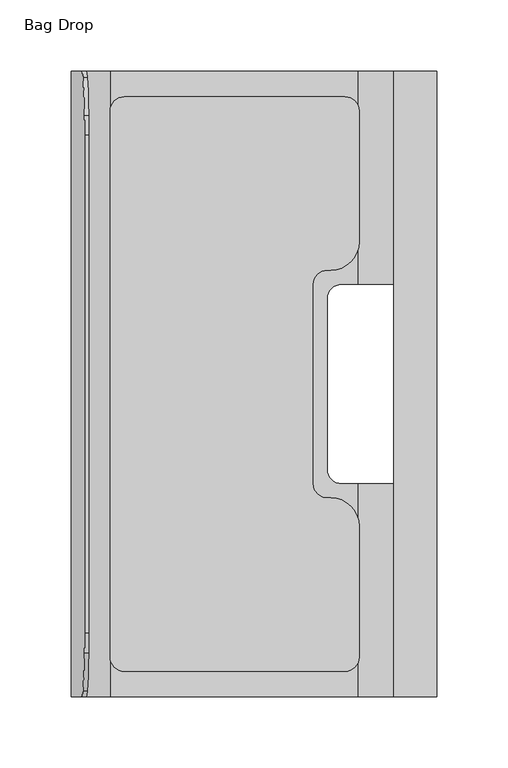
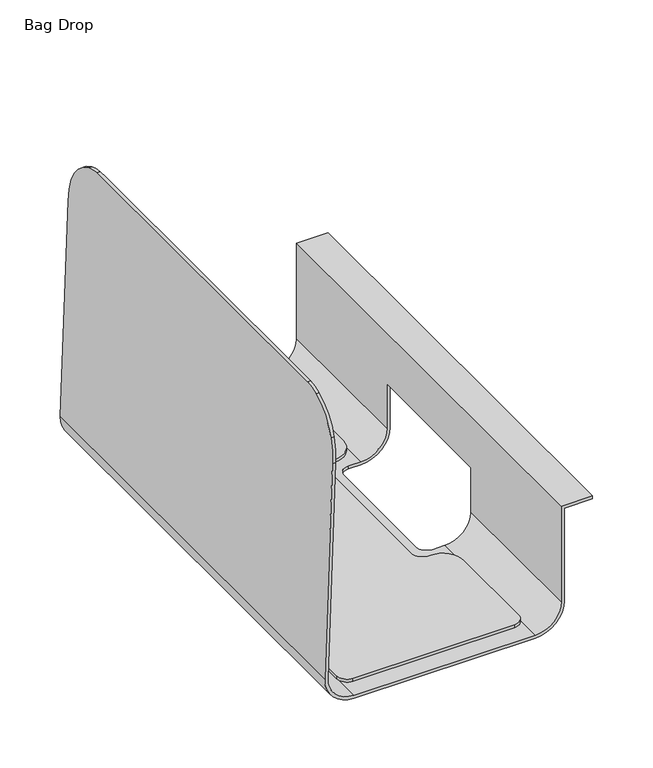
"""IFC4 building model written with IfcOpenShell, lengths in millimetres: furniture geometry, Bag Drop."""

from ifc_helpers import new_model, si_unit, point, frame, frame_2d, origin, place, context, project, spatial, polyline, circle_curve, ellipse_curve, trimmed, segment, composite_curve, outline, extrude, source, transform, mapped, element, save
from ifc_brep_helpers import plane_surface, cylinder_surface, revolved_surface, advanced_brep


def bag_drop_549a8591(model_context):
    return source(origin(), model_context, "Body", "SolidModel", [
        extrude(outline(composite_curve([segment(polyline([(-34.5112294, 198.0001236), (-189.5107334, 198.0001236)]), True, "CONTINUOUS"), segment(trimmed(circle_curve(frame_2d((-189.5107334, 208.0001236)), 10.0), [point((-189.5107334, 198.0001236))], [point((-199.5107334, 208.0001236))], False, "CARTESIAN"), True, "CONTINUOUS"), segment(polyline([(-199.5107334, 208.0001236), (-199.5107334, 591.9998764)]), True, "CONTINUOUS"), segment(trimmed(circle_curve(frame_2d((-189.5107334, 591.9998764)), 10.0), [point((-199.5107334, 591.9998764))], [point((-189.5107334, 601.9998764))], False, "CARTESIAN"), True, "CONTINUOUS"), segment(polyline([(-189.5107334, 601.9998764), (-34.5112294, 601.9998764)]), True, "CONTINUOUS"), segment(trimmed(circle_curve(frame_2d((-34.5112294, 591.9998764)), 10.0), [point((-34.5112294, 601.9998764))], [point((-24.5112294, 591.9998764))], False, "CARTESIAN"), True, "CONTINUOUS"), segment(polyline([(-24.5112294, 591.9998764), (-24.5112294, 500.0000024)]), True, "CONTINUOUS"), segment(trimmed(circle_curve(frame_2d((-44.5112294, 500.0000024)), 20.0), [point((-24.5112294, 500.0000024))], [point((-44.5112294, 480.0000024))], False, "CARTESIAN"), True, "CONTINUOUS"), segment(polyline([(-44.5112294, 480.0000024), (-47.0, 480.0000024)]), True, "CONTINUOUS"), segment(trimmed(circle_curve(frame_2d((-47.0, 470.0000024)), 10.0), [point((-47.0, 480.0000024))], [point((-57.0, 470.0000024))], True, "CARTESIAN"), True, "CONTINUOUS"), segment(polyline([(-57.0, 470.0000024), (-57.0, 329.9999976)]), True, "CONTINUOUS"), segment(trimmed(circle_curve(frame_2d((-47.0, 329.9999976)), 10.0), [point((-57.0, 329.9999976))], [point((-47.0, 319.9999976))], True, "CARTESIAN"), True, "CONTINUOUS"), segment(polyline([(-47.0, 319.9999976), (-44.5112294, 319.9999976)]), True, "CONTINUOUS"), segment(trimmed(circle_curve(frame_2d((-44.5112294, 299.9999976)), 20.0), [point((-44.5112294, 319.9999976))], [point((-24.5112294, 299.9999976))], False, "CARTESIAN"), True, "CONTINUOUS"), segment(polyline([(-24.5112294, 299.9999976), (-24.5112294, 208.0001236)]), True, "CONTINUOUS"), segment(trimmed(circle_curve(frame_2d((-34.5112294, 208.0001236)), 10.0), [point((-24.5112294, 208.0001236))], [point((-34.5112294, 198.0001236))], False, "CARTESIAN"), True, "CONTINUOUS")], self_intersect=False)), frame((0.0, 0.0, 593.0), z_axis=(0.0, 0.0, 1.0), x_axis=(1.0, 0.0, 0.0)), (0.0, 0.0, 1.0), 3.0),
        advanced_brep(
        [(-25.0, 180.0001236, 590.0), (-25.0, 329.9999976, 590.0), (3.0, 329.9999976, 618.0), (3.0, 180.0001236, 618.0), (3.0, 620.0001236, 618.0), (3.0, 470.0000024, 618.0), (-25.0, 470.0000024, 590.0), (-25.0, 620.0001236, 590.0), (3.0, 180.0001236, 712.0), (3.0, 329.9999976, 663.2435119), (3.0, 470.0000024, 663.2435119), (3.0, 620.0001236, 712.0), (30.0, 620.0001236, 712.0), (30.0, 180.0001236, 712.0), (30.0, 620.0001236, 715.0), (30.0, 180.0001236, 715.0), (0.0, 620.0001236, 715.0), (0.0, 180.0001236, 715.0), (0.0, 620.0001236, 618.0), (0.0, 470.0000024, 618.0), (0.0, 470.0000024, 663.2435119), (0.0, 329.9999976, 663.2435119), (0.0, 329.9999976, 618.0), (0.0, 180.0001236, 618.0), (-25.0, 329.9999976, 593.0), (-25.0, 180.0001236, 593.0), (-25.0, 620.0001236, 593.0), (-25.0, 470.0000024, 593.0), (-199.0334214, 180.0001236, 593.0), (-37.0, 329.9999976, 593.0), (-47.0, 339.9999976, 593.0), (-47.0, 460.0000024, 593.0), (-37.0, 470.0000024, 593.0), (-199.0334214, 620.0001236, 593.0), (-224.0181938, 620.0001236, 618.8724392), (-224.0181938, 180.0001236, 618.8724392), (-216.4739825, 620.0001236, 834.9223496), (-215.6469506, 615.7865006, 858.6067576), (-214.6745756, 589.0623753, 886.4534759), (-214.5507351, 574.9919432, 890.0), (-214.5507351, 564.9998764, 890.0), (-214.5507351, 235.0001236, 890.0), (-214.5507351, 225.0080568, 890.0), (-214.6745756, 210.9376247, 886.4534759), (-215.6469506, 184.2134994, 858.6067576), (-216.4739825, 180.0001236, 834.9223496), (-217.5525635, 574.9919432, 890.0), (-217.5525635, 564.9998764, 890.0), (-217.5525635, 235.0001236, 890.0), (-217.5525635, 225.0080568, 890.0), (-217.676404, 589.0623753, 886.4534759), (-218.648779, 615.7865006, 858.6067576), (-219.475811, 619.9998764, 834.9223496), (-227.0163665, 620.0001236, 618.9771319), (-227.0163665, 180.0001236, 618.9771319), (-219.475811, 180.0001236, 834.9223496), (-218.648779, 184.2134994, 858.6067576), (-217.676404, 210.9376247, 886.4534759), (-199.0334214, 620.0001236, 590.0), (-199.0334214, 180.0001236, 590.0), (-37.0, 470.0000024, 590.0), (-47.0, 460.0000024, 590.0), (-47.0, 339.9999976, 590.0), (-37.0, 329.9999976, 590.0)],
        [
            (0, 1),
            (1, 2, circle_curve(frame((-25.0, 329.9999976, 618.0), z_axis=(0.0, -1.0, 0.0), x_axis=(1.0, 0.0, 0.0)), 28.0)),
            (2, 3),
            (3, 0, circle_curve(frame((-25.0, 180.0001236, 618.0), z_axis=(0.0, 1.0, 0.0), x_axis=(1.0, 0.0, 0.0)), 28.0)),
            (4, 5),
            (5, 6, circle_curve(frame((-25.0, 470.0000024, 618.0), z_axis=(0.0, 1.0, 0.0), x_axis=(1.0, 0.0, 0.0)), 28.0)),
            (6, 7),
            (7, 4, circle_curve(frame((-25.0, 620.0001236, 618.0), z_axis=(0.0, -1.0, 0.0), x_axis=(1.0, 0.0, 0.0)), 28.0)),
            (8, 3),
            (2, 9),
            (9, 10),
            (10, 5),
            (4, 11),
            (11, 8),
            (11, 12),
            (12, 13),
            (13, 8),
            (12, 14),
            (14, 15),
            (15, 13),
            (14, 16),
            (16, 17),
            (17, 15),
            (16, 18),
            (18, 19),
            (19, 20),
            (20, 21),
            (21, 22),
            (22, 23),
            (23, 17),
            (22, 24, circle_curve(frame((-25.0, 329.9999976, 618.0), z_axis=(0.0, 1.0, 0.0), x_axis=(1.0, 0.0, 0.0)), 25.0)),
            (24, 25),
            (25, 23, circle_curve(frame((-25.0, 180.0001236, 618.0), z_axis=(0.0, -1.0, 0.0), x_axis=(1.0, 0.0, 0.0)), 25.0)),
            (26, 27),
            (27, 19, circle_curve(frame((-25.0, 470.0000024, 618.0), z_axis=(0.0, -1.0, 0.0), x_axis=(1.0, 0.0, 0.0)), 25.0)),
            (18, 26, circle_curve(frame((-25.0, 620.0001236, 618.0), z_axis=(0.0, 1.0, 0.0), x_axis=(1.0, 0.0, 0.0)), 25.0)),
            (28, 25),
            (24, 29),
            (29, 30, circle_curve(frame((-37.0, 339.9999976, 593.0), z_axis=(0.0, 0.0, -1.0), x_axis=(1.0, 0.0, 0.0)), 10.0)),
            (30, 31),
            (31, 32, circle_curve(frame((-37.0, 460.0000024, 593.0), z_axis=(0.0, 0.0, -1.0), x_axis=(1.0, 0.0, 0.0)), 10.0)),
            (32, 27),
            (26, 33),
            (33, 28),
            (33, 34, circle_curve(frame((-199.0334214, 620.0001236, 618.0), z_axis=(0.0, 1.0, 0.0), x_axis=(1.0, 0.0, 0.0)), 25.0)),
            (34, 35),
            (35, 28, circle_curve(frame((-199.0334214, 180.0001236, 618.0), z_axis=(0.0, -1.0, 0.0), x_axis=(1.0, 0.0, 0.0)), 25.0)),
            (34, 36),
            (36, 37, ellipse_curve(frame((-216.4739825, 551.3252851, 834.9223496), z_axis=(0.9993908944306122, 0.0, -0.03489756623578206), x_axis=(-0.03489756623578335, 0.0, -0.9993908944306122)), 68.7164469, 68.6745914)),
            (37, 38, ellipse_curve(frame((-216.2263503, 570.6264393, 842.0140002), z_axis=(0.9993908944306122, 0.0, -0.03489756623578206), x_axis=(-0.03489756623578335, 0.0, -0.9993908944306122)), 48.1411796, 48.1118565)),
            (38, 39, ellipse_curve(frame((-216.2794228, 569.9959098, 840.4941207), z_axis=(0.9993908944306122, 0.0, -0.03489756623578206), x_axis=(-0.03489756623578335, 0.0, -0.9993908944306122)), 49.7876615, 49.7573355)),
            (39, 40),
            (40, 41),
            (41, 42),
            (42, 43, ellipse_curve(frame((-216.2794228, 230.0040902, 840.4941207), z_axis=(0.9993908944306122, 0.0, -0.03489756623578206), x_axis=(-0.03489756623578335, 0.0, -0.9993908944306122)), 49.7876615, 49.7573355)),
            (43, 44, ellipse_curve(frame((-216.2263503, 229.3735607, 842.0140002), z_axis=(0.9993908944306122, 0.0, -0.03489756623578206), x_axis=(-0.03489756623578335, 0.0, -0.9993908944306122)), 48.1411796, 48.1118565)),
            (44, 45, ellipse_curve(frame((-216.4739825, 248.6747149, 834.9223496), z_axis=(0.9993908944306122, 0.0, -0.03489756623578206), x_axis=(-0.03489756623578335, 0.0, -0.9993908944306122)), 68.7164469, 68.6745914)),
            (45, 35),
            (39, 46),
            (46, 47),
            (47, 48),
            (48, 49),
            (49, 42),
            (46, 50, ellipse_curve(frame((-219.2812512, 569.9959098, 840.4941207), z_axis=(-0.9993908944306122, 0.0, 0.03489756623578203), x_axis=(-0.03489756623578338, 0.0, -0.9993908944306121)), 49.7876615, 49.7573355)),
            (50, 51, ellipse_curve(frame((-219.2281788, 570.6264393, 842.0140002), z_axis=(-0.9993908944306122, 0.0, 0.03489756623578203), x_axis=(-0.03489756623578338, 0.0, -0.9993908944306121)), 48.1411796, 48.1118565)),
            (51, 52, ellipse_curve(frame((-219.475811, 551.3252851, 834.9223496), z_axis=(-0.9993908944306122, 0.0, 0.03489756623578203), x_axis=(-0.03489756623578338, 0.0, -0.9993908944306121)), 68.7164469, 68.6745914)),
            (52, 53),
            (53, 54),
            (54, 55),
            (55, 56, ellipse_curve(frame((-219.475811, 248.6747149, 834.9223496), z_axis=(-0.9993908944306122, 0.0, 0.03489756623578203), x_axis=(-0.03489756623578338, 0.0, -0.9993908944306121)), 68.7164469, 68.6745914)),
            (56, 57, ellipse_curve(frame((-219.2281788, 229.3735607, 842.0140002), z_axis=(-0.9993908944306122, 0.0, 0.03489756623578203), x_axis=(-0.03489756623578338, 0.0, -0.9993908944306121)), 48.1411796, 48.1118565)),
            (57, 49, ellipse_curve(frame((-219.2812512, 230.0040902, 840.4941207), z_axis=(-0.9993908944306122, 0.0, 0.03489756623578203), x_axis=(-0.03489756623578338, 0.0, -0.9993908944306121)), 49.7876615, 49.7573355)),
            (53, 58, circle_curve(frame((-199.0334214, 620.0001236, 618.0), z_axis=(0.0, -1.0, 0.0), x_axis=(1.0, 0.0, 0.0)), 28.0)),
            (58, 59),
            (59, 54, circle_curve(frame((-199.0334214, 180.0001236, 618.0), z_axis=(0.0, 1.0, 0.0), x_axis=(1.0, 0.0, 0.0)), 28.0)),
            (58, 7),
            (6, 60),
            (60, 61, circle_curve(frame((-37.0, 460.0000024, 590.0), z_axis=(0.0, 0.0, 1.0), x_axis=(1.0, 0.0, 0.0)), 10.0)),
            (61, 62),
            (62, 63, circle_curve(frame((-37.0, 339.9999976, 590.0), z_axis=(0.0, 0.0, 1.0), x_axis=(1.0, 0.0, 0.0)), 10.0)),
            (63, 1),
            (0, 59),
            (45, 55),
            (52, 36),
            (51, 37),
            (50, 38),
            (57, 43),
            (56, 44),
            (20, 10),
            (9, 21),
            (61, 31),
            (30, 62),
            (32, 60),
            (63, 29),
        ],
        [
            cylinder_surface(frame((-25.0, 170.0001236, 618.0), z_axis=(0.0, 1.0, 0.0), x_axis=(1.0, 0.0, 0.0)), 28.0),
            plane_surface(frame((3.0, 629.9998764, 618.0), z_axis=(1.0, 0.0, 0.0), x_axis=(0.0, -1.0, 0.0))),
            plane_surface(frame((3.0, 629.9998764, 712.0), z_axis=(0.0, 0.0, -1.0), x_axis=(0.0, -1.0, 0.0))),
            plane_surface(frame((30.0, 629.9998764, 712.0), z_axis=(1.0, 0.0, 0.0), x_axis=(0.0, -1.0, 0.0))),
            plane_surface(frame((30.0, 629.9998764, 715.0), z_axis=(0.0, 0.0, 1.0), x_axis=(0.0, -1.0, 0.0))),
            plane_surface(frame((0.0, 629.9998764, 715.0), z_axis=(-1.0, 0.0, 0.0), x_axis=(0.0, -1.0, 0.0))),
            revolved_surface(polyline([(0.0, 180.0001236, 618.0), (0.0, 329.9999976, 618.0)]), (-25.0, 170.0001236, 618.0), (0.0, -1.0, 0.0)),
            revolved_surface(polyline([(0.0, 470.0000024, 618.0), (0.0, 620.0001236, 618.0)]), (-25.0, 170.0001236, 618.0), (0.0, -1.0, 0.0)),
            plane_surface(frame((-25.0, 629.9998764, 593.0), z_axis=(0.0, 0.0, 1.0), x_axis=(0.0, -1.0, 0.0))),
            revolved_surface(polyline([(-174.0334214, 180.0001236, 618.0), (-174.0334214, 620.0001236, 618.0)]), (-199.0334214, 170.0001236, 618.0), (0.0, -1.0, 0.0)),
            plane_surface(frame((-224.0181938, 629.9998764, 618.8724392), z_axis=(0.9993908944306122, 0.0, -0.03489756623578206), x_axis=(0.0, -1.0, 0.0))),
            plane_surface(frame((-214.5507351, 629.9998764, 890.0), z_axis=(0.0, 0.0, 1.0), x_axis=(0.0, -1.0, 0.0))),
            plane_surface(frame((-217.5525635, 629.9998764, 890.0), z_axis=(-0.9993908944306122, 0.0, 0.03489756623578203), x_axis=(0.0, -1.0, 0.0))),
            cylinder_surface(frame((-199.0334214, 170.0001236, 618.0), z_axis=(0.0, 1.0, 0.0), x_axis=(1.0, 0.0, 0.0)), 28.0),
            plane_surface(frame((-199.0334214, 629.9998764, 590.0), z_axis=(0.0, 0.0, -1.0), x_axis=(0.0, -1.0, 0.0))),
            plane_surface(frame((30.0, 180.0001236, 834.9223496), z_axis=(0.0, -1.0, 0.0), x_axis=(-1.0, 0.0, 0.0))),
            plane_surface(frame((30.0, 620.0001236, 580.0), z_axis=(0.0, 1.0, 0.0), x_axis=(-1.0, 0.0, 0.0))),
            cylinder_surface(frame((-252.1771599, 551.3252851, 834.9223496), z_axis=(-1.0, 0.0, 0.0), x_axis=(0.0, -1.0, 0.0)), 68.6745914),
            cylinder_surface(frame((-252.1771599, 570.6264393, 842.0140002), z_axis=(-1.0, 0.0, 0.0), x_axis=(0.0, -1.0, 0.0)), 48.1118565),
            cylinder_surface(frame((-252.1771599, 569.9959098, 840.4941207), z_axis=(-1.0, 0.0, 0.0), x_axis=(0.0, -1.0, 0.0)), 49.7573355),
            cylinder_surface(frame((-252.1771599, 230.0040902, 840.4941207), z_axis=(-1.0, 0.0, 0.0), x_axis=(0.0, -1.0, 0.0)), 49.7573355),
            cylinder_surface(frame((-252.1771599, 229.3735607, 842.0140002), z_axis=(-1.0, 0.0, 0.0), x_axis=(0.0, -1.0, 0.0)), 48.1118565),
            cylinder_surface(frame((-252.1771599, 248.6747149, 834.9223496), z_axis=(-1.0, 0.0, 0.0), x_axis=(0.0, -1.0, 0.0)), 68.6745914),
            plane_surface(frame((-27.0, 339.9999976, 663.2435119), z_axis=(0.0, 0.0, -1.0), x_axis=(0.0, -1.0, 0.0))),
            plane_surface(frame((-47.0, 339.9999976, 663.2435119), z_axis=(1.0, 0.0, 0.0), x_axis=(0.0, 0.0, -1.0))),
            plane_surface(frame((-37.0, 470.0000024, 663.2435119), z_axis=(0.0, -1.0, 0.0), x_axis=(0.0, 0.0, -1.0))),
            plane_surface(frame((30.0, 329.9999976, 663.2435119), z_axis=(0.0, 1.0, 0.0), x_axis=(0.0, 0.0, -1.0))),
            revolved_surface(polyline([(-27.0, 339.9999976, 593.0), (-27.0, 339.9999976, 590.0)]), (-37.0, 339.9999976, 590.0), (0.0, 0.0, 1.0)),
            revolved_surface(polyline([(-27.0, 460.0000024, 593.0), (-27.0, 460.0000024, 590.0)]), (-37.0, 460.0000024, 590.0), (0.0, 0.0, 1.0)),
        ],
        [
            (0, [[1, 2, 3, 4]]),
            (0, [[5, 6, 7, 8]]),
            (1, [[9, -3, 10, 11, 12, -5, 13, 14]]),
            (2, [[15, 16, 17, -14]]),
            (3, [[18, 19, 20, -16]]),
            (4, [[21, 22, 23, -19]]),
            (5, [[24, 25, 26, 27, 28, 29, 30, -22]]),
            (6, [[-29, 31, 32, 33]]),
            (7, [[34, 35, -25, 36]]),
            (8, [[37, -32, 38, 39, 40, 41, 42, -34, 43, 44]]),
            (9, [[45, 46, 47, -44]]),
            (10, [[48, 49, 50, 51, 52, 53, 54, 55, 56, 57, 58, -46]]),
            (11, [[59, 60, 61, 62, 63, -54, -53, -52]]),
            (12, [[64, 65, 66, 67, 68, 69, 70, 71, 72, -62, -61, -60]]),
            (13, [[73, 74, 75, -68]]),
            (14, [[76, -7, 77, 78, 79, 80, 81, -1, 82, -74]]),
            (15, [[-69, -75, -82, -4, -9, -17, -20, -23, -30, -33, -37, -47, -58, 83]]),
            (16, [[-48, -45, -43, -36, -24, -21, -18, -15, -13, -8, -76, -73, -67, 84]]),
            (17, [[-66, 85, -49, -84]]),
            (18, [[-65, 86, -50, -85]]),
            (19, [[-64, -59, -51, -86]]),
            (20, [[-55, -63, -72, 87]]),
            (21, [[-71, 88, -56, -87]]),
            (22, [[-57, -88, -70, -83]]),
            (23, [[-27, 89, -11, 90]]),
            (24, [[-79, 91, -40, 92]]),
            (25, [[-26, -35, -42, 93, -77, -6, -12, -89]]),
            (26, [[-10, -2, -81, 94, -38, -31, -28, -90]]),
            (27, [[-39, -94, -80, -92]]),
            (28, [[-41, -91, -78, -93]]),
        ],
    ),
    ])


if __name__ == "__main__":
    model = new_model("IFC4")
    model_context = context("Model", 3, world=origin())
    ifc_project = project(units=[si_unit("LENGTHUNIT", "METRE", prefix="MILLI")], contexts=[model_context])
    site = spatial("IfcSite", under=ifc_project)
    building = spatial("IfcBuilding", under=site)
    placement = place(None, origin())
    bag_drop_shape = bag_drop_549a8591(model_context)
    element("IfcFurniture", 1, ObjectType="Bag Drop", at=placement, inside=building, context=model_context, shape_type="MappedRepresentation", body=[
        mapped(bag_drop_shape, transform((0.0, 0.0, 0.0), x_axis=(1.0, 0.0, 0.0), y_axis=(0.0, 1.0, 0.0), z_axis=(0.0, 0.0, 1.0))),
    ])
    save(model, "model.ifc")
